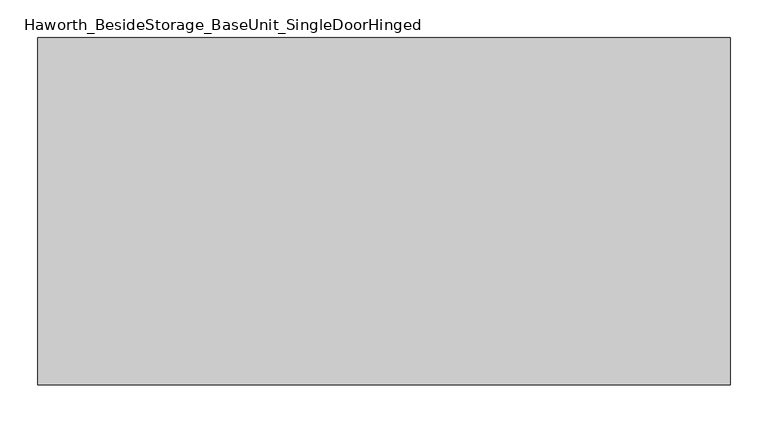
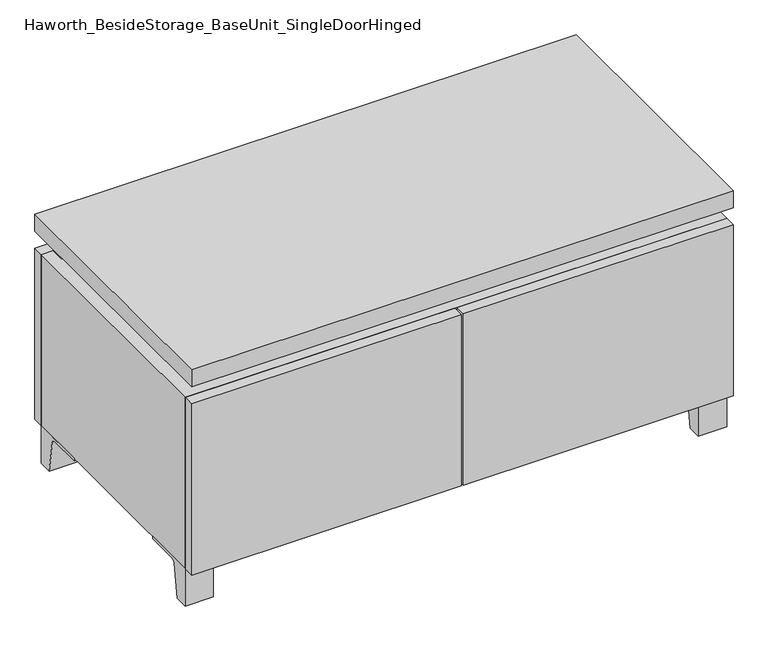
"""IFC4 building model written with IfcOpenShell, lengths in millimetres: furniture geometry, Haworth_BesideStorage_BaseUnit_SingleDoorHinged."""

import ifcopenshell
import ifcopenshell.guid

model = None  # the IFC model being written
_history = None  # IfcOwnerHistory: only IFC2X3 demands one
_inside = {}  # id of a spatial element -> (the spatial element, [elements in it])
_under = {}  # id of a project, library or spatial element -> (it, [spatial elements below it])
_declared = {}  # id of a project -> (the project, [libraries it declares])
_typed = {}  # id of a type object -> (the type object, [elements of that type])
_made_of = {}  # id of a material, layer set ... -> (it, [elements and type objects made of it])


def new_model(schema):
    """Start an empty IFC model of exactly this schema.

    Asked for "IFC4X3", IfcOpenShell would pick the latest addendum, in which some entities
    have other attributes; the version numbers below select the first issue.
    IFC2X3 requires an IfcOwnerHistory on every rooted entity: one is made here for all.
    """
    global model, _history
    if schema == "IFC4X3":
        model = ifcopenshell.file(schema_version=(4, 3, 0, 0))
    else:
        model = ifcopenshell.file(schema=schema)
    _inside.clear()
    _under.clear()
    _declared.clear()
    _typed.clear()
    _made_of.clear()
    _history = None
    if model.schema == "IFC2X3":
        org = make("IfcOrganization", Name="unknown")
        user = make(
            "IfcPersonAndOrganization",
            ThePerson=make("IfcPerson", FamilyName="unknown"),
            TheOrganization=org,
        )
        app = make(
            "IfcApplication",
            ApplicationDeveloper=org,
            Version="unknown",
            ApplicationFullName="unknown",
            ApplicationIdentifier="unknown",
        )
        _history = make(
            "IfcOwnerHistory",
            OwningUser=user,
            OwningApplication=app,
            ChangeAction="ADDED",
            CreationDate=0,
        )
    return model


def make(cls, **values):
    """One entity of the class cls with the attributes given. An attribute that is None is left unset."""
    return model.create_entity(
        cls, **{name: value for name, value in values.items() if value is not None}
    )


def rooted(cls, **values):
    """An entity with a GlobalId (a new one), such as an element, a storey or a relation."""
    return make(cls, GlobalId=ifcopenshell.guid.new(), OwnerHistory=_history, **values)


def si_unit(unit_type, name, prefix=None):
    """IfcSIUnit, for example si_unit("LENGTHUNIT", "METRE", prefix="MILLI")."""
    return make("IfcSIUnit", UnitType=unit_type, Prefix=prefix, Name=name)


def assignment(units):
    """IfcUnitAssignment: the units of a project."""
    return None if units is None else make("IfcUnitAssignment", Units=units)


def point(xyz):
    """IfcCartesianPoint."""
    return None if xyz is None else make("IfcCartesianPoint", Coordinates=xyz)


def direction(xyz):
    """IfcDirection."""
    return None if xyz is None else make("IfcDirection", DirectionRatios=xyz)


def frame(location, z_axis=None, x_axis=None):
    """IfcAxis2Placement3D, a coordinate frame: its origin and axes. An axis left out is left unset."""
    return make(
        "IfcAxis2Placement3D",
        Location=point(location),
        Axis=direction(z_axis),
        RefDirection=direction(x_axis),
    )


def frame_2d(location, x_axis=None):
    """IfcAxis2Placement2D, a coordinate frame in the plane: its origin and x axis."""
    return make(
        "IfcAxis2Placement2D", Location=point(location), RefDirection=direction(x_axis)
    )


def origin():
    """The frame at (0, 0, 0) with its axes left unset."""
    return frame((0.0, 0.0, 0.0))


def place(relative_to, where):
    """IfcLocalPlacement: puts the frame where relative to a parent placement (None: the world)."""
    return make(
        "IfcLocalPlacement", PlacementRelTo=relative_to, RelativePlacement=where
    )


def context(
    kind, dimensions, precision=None, world=None, true_north=None, identifier=None
):
    """IfcGeometricRepresentationContext, for example the 3D "Model" context."""
    return make(
        "IfcGeometricRepresentationContext",
        ContextIdentifier=identifier,
        ContextType=kind,
        CoordinateSpaceDimension=dimensions,
        Precision=precision,
        WorldCoordinateSystem=world,
        TrueNorth=true_north,
    )


def project(units=None, contexts=None):
    """IfcProject with its units and contexts."""
    return rooted(
        "IfcProject",
        Name="project",
        RepresentationContexts=contexts,
        UnitsInContext=assignment(units),
    )


def spatial(cls, under=None, at=None, **own):
    """A site, building, storey or space (cls), placed at a placement, below another one or the project."""
    s = rooted(cls, ObjectPlacement=at, **own)
    if under is not None:
        _under.setdefault(under.id(), (under, []))[1].append(s)
    return s


def polyline(points):
    """IfcPolyline through the points."""
    return make("IfcPolyline", Points=[point(p) for p in points])


def circle_curve(where, radius):
    """IfcCircle in the frame where."""
    return make("IfcCircle", Position=where, Radius=radius)


def trimmed(basis, trim1, trim2, sense, master):
    """IfcTrimmedCurve: the piece of a basis curve between two trims."""
    return make(
        "IfcTrimmedCurve",
        BasisCurve=basis,
        Trim1=trim1,
        Trim2=trim2,
        SenseAgreement=sense,
        MasterRepresentation=master,
    )


def segment(curve, same_sense, transition):
    """IfcCompositeCurveSegment."""
    return make(
        "IfcCompositeCurveSegment",
        Transition=transition,
        SameSense=same_sense,
        ParentCurve=curve,
    )


def composite_curve(segments, self_intersect=None):
    """IfcCompositeCurve: segments joined end to end."""
    return make("IfcCompositeCurve", Segments=segments, SelfIntersect=self_intersect)


def outline(outer, holes=None, kind="AREA"):
    """IfcArbitraryClosedProfileDef: a profile drawn as a closed curve; with holes, ...WithVoids."""
    if holes is None:
        return make("IfcArbitraryClosedProfileDef", ProfileType=kind, OuterCurve=outer)
    return make(
        "IfcArbitraryProfileDefWithVoids",
        ProfileType=kind,
        OuterCurve=outer,
        InnerCurves=holes,
    )


def extrude(swept, where, along, depth):
    """IfcExtrudedAreaSolid: the profile swept, set in the frame where, extruded along a direction by depth."""
    return make(
        "IfcExtrudedAreaSolid",
        SweptArea=swept,
        Position=where,
        ExtrudedDirection=direction(along),
        Depth=depth,
    )


def faces_of(points, faces, orient=None, outer=None):
    """IfcFace entities. A face is a list of loops; a loop is a list of indices into points, from 0.

    orient and outer hold one flag for each loop. By default every Orientation is true, the
    first loop of a face is its IfcFaceOuterBound and the others are IfcFaceBound.
    """
    made = []
    for i, loops in enumerate(faces):
        bounds = []
        for j, loop in enumerate(loops):
            is_outer = j == 0 if outer is None else outer[i][j]
            bounds.append(
                make(
                    "IfcFaceOuterBound" if is_outer else "IfcFaceBound",
                    Bound=make("IfcPolyLoop", Polygon=[points[k] for k in loop]),
                    Orientation=True if orient is None else orient[i][j],
                )
            )
        made.append(make("IfcFace", Bounds=bounds))
    return made


def faceted_brep(points, faces, orient=None, outer=None, voids=None):
    """IfcFacetedBrep: a solid bounded by flat faces; with voids (closed shells), ...WithVoids."""
    shared = [point(p) for p in points]
    hull = make("IfcClosedShell", CfsFaces=faces_of(shared, faces, orient, outer))
    if voids is None:
        return make("IfcFacetedBrep", Outer=hull)
    return make(
        "IfcFacetedBrepWithVoids",
        Outer=hull,
        Voids=[
            make(cls, CfsFaces=faces_of(shared, fs, o, b)) for cls, fs, o, b in voids
        ],
    )


def shape(context_of_items, identifier, shape_type, items):
    """IfcShapeRepresentation: the items that make up one representation, for example the "Body"."""
    return make(
        "IfcShapeRepresentation",
        ContextOfItems=context_of_items,
        RepresentationIdentifier=identifier,
        RepresentationType=shape_type,
        Items=items,
    )


def source(mapping_origin, context_of_items, identifier, shape_type, items):
    """IfcRepresentationMap: a shape defined once, which mapped items show again and again."""
    return make(
        "IfcRepresentationMap",
        MappingOrigin=mapping_origin,
        MappedRepresentation=shape(context_of_items, identifier, shape_type, items),
    )


def transform(
    local_origin,
    x_axis=None,
    y_axis=None,
    z_axis=None,
    scale=None,
    scale2=None,
    scale3=None,
    uniform=True,
):
    """IfcCartesianTransformationOperator3D, or its non-uniform kind. x_axis, y_axis, z_axis: its Axis1, 2, 3."""
    if uniform:
        return make(
            "IfcCartesianTransformationOperator3D",
            Axis1=direction(x_axis),
            Axis2=direction(y_axis),
            LocalOrigin=point(local_origin),
            Scale=scale,
            Axis3=direction(z_axis),
        )
    return make(
        "IfcCartesianTransformationOperator3DnonUniform",
        Axis1=direction(x_axis),
        Axis2=direction(y_axis),
        LocalOrigin=point(local_origin),
        Scale=scale,
        Axis3=direction(z_axis),
        Scale2=scale2,
        Scale3=scale3,
    )


def mapped(mapping_source, mapping_target):
    """IfcMappedItem: shows the shape of a source again, moved by a transform."""
    return make(
        "IfcMappedItem", MappingSource=mapping_source, MappingTarget=mapping_target
    )


def made_of(thing, what):
    """Note that an element or type object is made of a material, layer set ...; save() writes the relation."""
    if what is not None:
        _made_of.setdefault(what.id(), (what, []))[1].append(thing)
    return thing


def element(
    cls,
    number,
    at=None,
    inside=None,
    cuts=None,
    type_object=None,
    material=None,
    context=None,
    identifier="Body",
    shape_type=None,
    held_by="IfcProductDefinitionShape",
    body=None,
    shapes=None,
    **own,
):
    """One element of the class cls, such as IfcWall. Its Tag is "e" and its number.

    at: its placement. inside: the storey or other place that contains it. cuts: it is an
    opening in that element (IfcRelVoidsElement). A single representation is given by context,
    identifier, shape_type and body (its items); several are given by shapes. held_by: the class
    of the entity that holds the representations. save() writes the other relations.
    """
    e = rooted(cls, Tag="e%d" % number, ObjectPlacement=at, **own)
    if body is not None:
        shapes = [shape(context, identifier, shape_type, body)]
    if shapes is not None:
        e.Representation = make(held_by, Representations=shapes)
    if inside is not None:
        _inside.setdefault(inside.id(), (inside, []))[1].append(e)
    if cuts is not None:
        rooted(
            "IfcRelVoidsElement", RelatingBuildingElement=cuts, RelatedOpeningElement=e
        )
    if type_object is not None:
        _typed.setdefault(type_object.id(), (type_object, []))[1].append(e)
    return made_of(e, material)


def aggregate(whole, parts):
    """IfcRelAggregates: a whole, such as a stair, and the parts it consists of."""
    return rooted("IfcRelAggregates", RelatingObject=whole, RelatedObjects=parts)


def save(model, path):
    """Write the relations noted so far, then the file.

    IfcRelAggregates (storeys below a building ...), IfcRelContainedInSpatialStructure (elements
    in a storey), IfcRelDefinesByType, IfcRelAssociatesMaterial and IfcRelDeclares: one each for
    every whole, place, type object, material and project.
    """
    for whole, parts in _under.values():
        aggregate(whole, parts)
    for where, things in _inside.values():
        rooted(
            "IfcRelContainedInSpatialStructure",
            RelatedElements=things,
            RelatingStructure=where,
        )
    for kind, things in _typed.values():
        rooted("IfcRelDefinesByType", RelatedObjects=things, RelatingType=kind)
    for what, things in _made_of.values():
        rooted("IfcRelAssociatesMaterial", RelatedObjects=things, RelatingMaterial=what)
    for by, libraries in _declared.values():
        rooted("IfcRelDeclares", RelatingContext=by, RelatedDefinitions=libraries)
    model.write(path)


def haworth_besidestorage_baseunit_singledoorhinged_a360da2a(model_context):
    return source(origin(), model_context, "Body", "SolidModel", [
        extrude(outline(composite_curve([segment(polyline([(-129.6458469, 0.0), (-152.4, 0.0), (-152.4, 66.675), (-57.15, 66.675), (-57.15, 61.8963321), (-113.9505345, 61.8963321)]), True, "CONTINUOUS"), segment(trimmed(circle_curve(frame_2d((-113.9505345, 55.5463321)), 6.35), [point((-113.9505345, 61.8963321))], [point((-120.2141359, 56.5902656))], True, "CARTESIAN"), True, "CONTINUOUS"), segment(polyline([(-120.2141359, 56.5902656), (-129.6458469, 0.0)]), True, "CONTINUOUS")], self_intersect=False)), frame((408.0013906, 0.0, 0.0), z_axis=(1.0, 0.0, 0.0), x_axis=(0.0, 1.0, 0.0)), (0.0, 0.0, 1.0), 47.625),
        extrude(outline(composite_curve([segment(polyline([(243.9458469, 0.0), (234.5141359, 56.5902656)]), True, "CONTINUOUS"), segment(trimmed(circle_curve(frame_2d((228.2505345, 55.5463321)), 6.35), [point((234.5141359, 56.5902656))], [point((228.2505345, 61.8963321))], True, "CARTESIAN"), True, "CONTINUOUS"), segment(polyline([(228.2505345, 61.8963321), (171.45, 61.8963321), (171.45, 66.675), (266.7, 66.675), (266.7, 0.0), (243.9458469, 0.0)]), True, "CONTINUOUS")], self_intersect=False)), frame((408.0013906, 0.0, 0.0), z_axis=(1.0, 0.0, 0.0), x_axis=(0.0, 1.0, 0.0)), (0.0, 0.0, 1.0), 47.625),
        extrude(outline(composite_curve([segment(polyline([(-129.6458469, 0.0), (-152.4, 0.0), (-152.4, 66.675), (-57.15, 66.675), (-57.15, 61.8963321), (-113.9505345, 61.8963321)]), True, "CONTINUOUS"), segment(trimmed(circle_curve(frame_2d((-113.9505345, 55.5463321)), 6.35), [point((-113.9505345, 61.8963321))], [point((-120.2141359, 56.5902656))], True, "CARTESIAN"), True, "CONTINUOUS"), segment(polyline([(-120.2141359, 56.5902656), (-129.6458469, 0.0)]), True, "CONTINUOUS")], self_intersect=False)), frame((-455.5986094, 0.0, 0.0), z_axis=(1.0, 0.0, 0.0), x_axis=(0.0, 1.0, 0.0)), (0.0, 0.0, 1.0), 47.625),
        extrude(outline(composite_curve([segment(polyline([(243.9458469, 0.0), (234.5141359, 56.5902656)]), True, "CONTINUOUS"), segment(trimmed(circle_curve(frame_2d((228.2505345, 55.5463321)), 6.35), [point((234.5141359, 56.5902656))], [point((228.2505345, 61.8963321))], True, "CARTESIAN"), True, "CONTINUOUS"), segment(polyline([(228.2505345, 61.8963321), (171.45, 61.8963321), (171.45, 66.675), (266.7, 66.675), (266.7, 0.0), (243.9458469, 0.0)]), True, "CONTINUOUS")], self_intersect=False)), frame((-455.5986094, 0.0, 0.0), z_axis=(1.0, 0.0, 0.0), x_axis=(0.0, 1.0, 0.0)), (0.0, 0.0, 1.0), 47.625),
        faceted_brep([(-455.5986094, -152.4, 66.675), (455.6125, -152.4, 66.675), (455.6125, -152.4, 371.475), (-455.5986094, -152.4, 371.475), (-436.5486094, -152.4, 85.725), (-436.5486094, -152.4, 352.425), (436.5694453, -152.4, 352.425), (436.5486094, -152.4, 85.725), (-455.5986094, 266.7, 66.675), (-455.5986094, 266.7, 371.475), (-436.5486094, 266.7, 371.475), (-436.5486094, 266.7, 85.725), (436.5486094, 266.7, 85.725), (436.5486094, 266.7, 371.475), (455.6125, 266.7, 371.475), (455.6125, 266.7, 66.675), (436.5486094, 241.3, 371.475), (-436.5416641, 241.3, 371.475), (-436.5486094, 241.3, 352.425), (436.5486094, 241.3, 352.425)], [[[0, 1, 2, 3], [4, 5, 6, 7]], [[8, 9, 10, 11, 12, 13, 14, 15]], [[1, 0, 8, 15]], [[2, 1, 15, 14]], [[3, 2, 14, 13, 16, 17, 10, 9]], [[0, 3, 9, 8]], [[11, 10, 17, 18, 5, 4]], [[13, 12, 7, 6, 19, 16]], [[4, 7, 12, 11]], [[6, 5, 18, 19]], [[17, 16, 19, 18]]]),
        extrude(outline(polyline([(455.6263906, -171.45), (-455.5986094, -171.45), (-455.5986094, 285.75), (455.6263906, 285.75), (455.6263906, -171.45)])), frame((0.0, 0.0, 401.6375), z_axis=(0.0, 0.0, 1.0), x_axis=(1.0, 0.0, 0.0)), (0.0, 0.0, 1.0), 30.1625),
        faceted_brep([(7.9513906, -76.2, 401.6375), (7.9513906, -76.2, 371.475), (7.9513906, 47.625, 371.475), (7.9513906, 47.625, 401.6375), (7.9513906, 190.5, 371.475), (7.9513906, 190.5, 401.6375), (7.9513906, 66.675, 401.6375), (7.9513906, 66.675, 371.475), (-7.9236094, 190.5, 401.6375), (-7.9236094, 190.5, 371.475), (-7.9236094, 66.675, 371.475), (-7.9236094, 66.675, 401.6375), (-7.9236094, -76.2, 371.475), (-7.9236094, -76.2, 401.6375), (-7.9236094, 47.625, 401.6375), (-7.9236094, 47.625, 371.475), (-414.2958281, 66.675, 401.6375), (-414.3166641, 241.3, 401.6375), (-430.1916641, 241.3, 401.6375), (-430.1916641, -127.0, 401.6375), (-414.3166641, -127.0, 401.6375), (-414.3166641, 47.625, 401.6375), (414.3236094, 47.625, 401.6375), (414.3236094, -127.0, 401.6375), (430.1986094, -127.0, 401.6375), (430.1986094, 241.3, 401.6375), (414.3236094, 241.3, 401.6375), (414.3236094, 66.675, 401.6375), (-414.2958281, 47.625, 371.475), (-414.3166641, -127.0, 371.475), (-430.1916641, -127.0, 371.475), (-430.1916641, 241.3, 371.475), (-414.3166641, 241.3, 371.475), (-414.3166641, 66.675, 371.475), (414.3236094, 66.675, 371.475), (414.3236094, 241.3, 371.475), (430.1986094, 241.3, 371.475), (430.1986094, -127.0, 371.475), (414.3236094, -127.0, 371.475), (414.3236094, 47.625, 371.475)], [[[0, 1, 2, 3]], [[4, 5, 6, 7]], [[8, 9, 10, 11]], [[12, 13, 14, 15]], [[5, 8, 11, 16, 17, 18, 19, 20, 21, 14, 13, 0, 3, 22, 23, 24, 25, 26, 27, 6]], [[1, 12, 15, 28, 29, 30, 31, 32, 33, 10, 9, 4, 7, 34, 35, 36, 37, 38, 39, 2]], [[5, 4, 9, 8]], [[1, 0, 13, 12]], [[6, 27, 34, 7]], [[22, 3, 2, 39]], [[20, 29, 28, 21]], [[32, 17, 16, 33]], [[18, 31, 30, 19]], [[29, 20, 19, 30]], [[17, 32, 31, 18]], [[26, 35, 34, 27]], [[38, 23, 22, 39]], [[25, 24, 37, 36]], [[23, 38, 37, 24]], [[35, 26, 25, 36]], [[16, 11, 10, 33]], [[14, 21, 28, 15]]]),
        extrude(outline(polyline([(455.6263906, 266.7), (-455.5986094, 266.7), (-455.5986094, 285.75), (455.6263906, 285.75), (455.6263906, 266.7)])), frame((0.0, 0.0, 66.675), z_axis=(0.0, 0.0, 1.0), x_axis=(1.0, 0.0, 0.0)), (0.0, 0.0, 1.0), 304.8),
        extrude(outline(polyline([(-436.5416641, 196.85), (-436.5416641, 203.2), (436.5694453, 203.2), (436.5694453, 196.85), (-436.5416641, 196.85)])), frame((0.0, 0.0, 85.725), z_axis=(0.0, 0.0, 1.0), x_axis=(1.0, 0.0, 0.0)), (0.0, 0.0, 1.0), 266.7),
        extrude(outline(polyline([(1.6013906, -171.45), (1.6013906, -152.4), (455.6263906, -152.4), (455.6263906, -171.45), (1.6013906, -171.45)])), frame((0.0, 0.0, 66.675), z_axis=(0.0, 0.0, 1.0), x_axis=(1.0, 0.0, 0.0)), (0.0, 0.0, 1.0), 304.8),
        extrude(outline(polyline([(-1.5736094, -171.45), (-455.5986094, -171.45), (-455.5986094, -152.4), (-1.5736094, -152.4), (-1.5736094, -171.45)])), frame((0.0, 0.0, 66.675), z_axis=(0.0, 0.0, 1.0), x_axis=(1.0, 0.0, 0.0)), (0.0, 0.0, 1.0), 304.8),
    ])


if __name__ == "__main__":
    model = new_model("IFC4")
    model_context = context("Model", 3, world=origin())
    ifc_project = project(units=[si_unit("LENGTHUNIT", "METRE", prefix="MILLI")], contexts=[model_context])
    site = spatial("IfcSite", under=ifc_project)
    building = spatial("IfcBuilding", under=site)
    placement = place(None, origin())
    haworth_besidestorage_baseunit_singledoorhinged_shape = haworth_besidestorage_baseunit_singledoorhinged_a360da2a(model_context)
    element("IfcFurniture", 1, ObjectType="Haworth_BesideStorage_BaseUnit_SingleDoorHinged", at=placement, inside=building, context=model_context, shape_type="MappedRepresentation", body=[
        mapped(haworth_besidestorage_baseunit_singledoorhinged_shape, transform((0.0, 0.0, 0.0), x_axis=(1.0, 0.0, 0.0), y_axis=(0.0, 1.0, 0.0), z_axis=(0.0, 0.0, 1.0))),
    ])
    save(model, "model.ifc")
